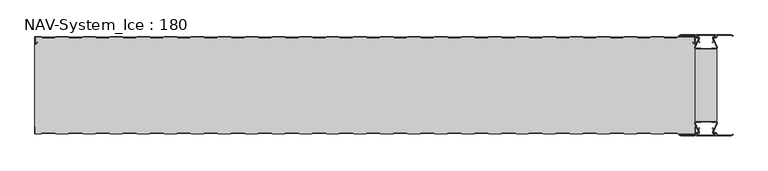
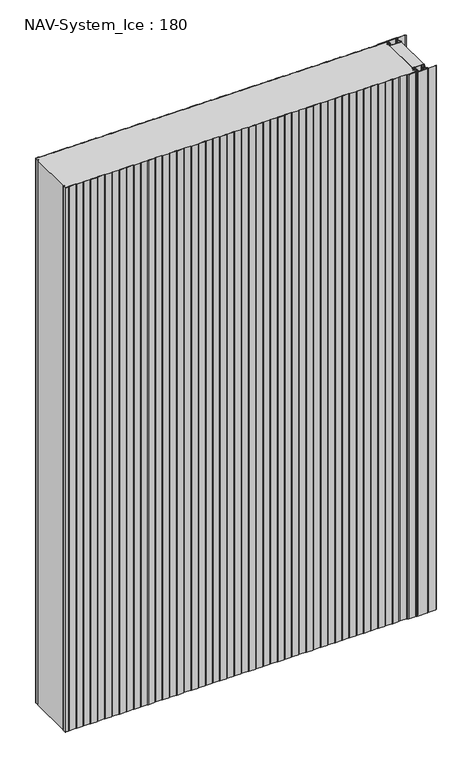
"""IFC4 building model written with IfcOpenShell, lengths in millimetres: plate geometry, NAV-System_Ice : 180."""

from ifc_helpers import new_model, si_unit, point, frame_2d, origin, origin_with_axes, place, context, project, spatial, polyline, circle_curve, trimmed, segment, composite_curve, outline, extrude, source, transform, mapped, element, save


def nav_system_ice_180_afe96e50(model_context):
    return source(origin(), model_context, "Body", "SweptSolid", [
        extrude(outline(polyline([(630.0, -156.9693935), (590.0, -156.9693935), (590.0, -23.0306065), (630.0, -23.0306065), (630.0, -156.9693935)])), origin_with_axes(), (0.0, 0.0, 1.0), 2000.0),
        extrude(outline(composite_curve([segment(trimmed(circle_curve(frame_2d((599.1138734, -171.8417863)), 3.357884), [point((596.1169606, -173.3563483))], [point((597.7243711, -168.7848813))], False, "CARTESIAN"), True, "CONTINUOUS"), segment(polyline([(597.7243711, -168.7848813), (598.0554135, -169.5131744)]), True, "CONTINUOUS"), segment(trimmed(circle_curve(frame_2d((599.1138734, -171.8417863)), 2.557884), [point((598.0554135, -169.5131744))], [point((596.8448746, -173.0226397))], True, "CARTESIAN"), True, "CONTINUOUS"), segment(polyline([(596.8448746, -173.0226397), (597.7376807, -175.2182139)]), True, "CONTINUOUS"), segment(trimmed(circle_curve(frame_2d((593.7962884, -176.3456266)), 4.0994674), [point((597.7376807, -175.2182139))], [point((593.7866434, -180.4450826))], False, "CARTESIAN"), True, "CONTINUOUS"), segment(polyline([(593.7866434, -180.4450826), (592.2194901, -180.4092333)]), True, "CONTINUOUS"), segment(trimmed(circle_curve(frame_2d((592.2592624, -181.3027113)), 0.8943628), [point((592.2194901, -180.4092333))], [point((592.2592624, -182.1970741))], True, "CARTESIAN"), True, "CONTINUOUS"), segment(polyline([(592.2592624, -182.1970741), (627.7407376, -182.1970741)]), True, "CONTINUOUS"), segment(trimmed(circle_curve(frame_2d((627.7407376, -181.3027113)), 0.8943628), [point((627.7407376, -182.1970741))], [point((627.7805099, -180.4092333))], True, "CARTESIAN"), True, "CONTINUOUS"), segment(polyline([(627.7805099, -180.4092333), (626.2133566, -180.4450826)]), True, "CONTINUOUS"), segment(trimmed(circle_curve(frame_2d((626.2037116, -176.3456266)), 4.0994674), [point((626.2133566, -180.4450826))], [point((622.2623193, -175.2182139))], False, "CARTESIAN"), True, "CONTINUOUS"), segment(polyline([(622.2623193, -175.2182139), (623.1551254, -173.0226397)]), True, "CONTINUOUS"), segment(trimmed(circle_curve(frame_2d((620.8861266, -171.8417863)), 2.557884), [point((623.1551254, -173.0226397))], [point((621.9445865, -169.5131744))], True, "CARTESIAN"), True, "CONTINUOUS"), segment(polyline([(621.9445865, -169.5131744), (622.2756289, -168.7848813)]), True, "CONTINUOUS"), segment(trimmed(circle_curve(frame_2d((620.8861266, -171.8417863)), 3.357884), [point((622.2756289, -168.7848813))], [point((623.8830394, -173.3563483))], False, "CARTESIAN"), True, "CONTINUOUS"), segment(polyline([(623.8830394, -173.3563483), (623.0205049, -175.4774793)]), True, "CONTINUOUS"), segment(trimmed(circle_curve(frame_2d((626.2037116, -176.3456266)), 3.2994674), [point((623.0205049, -175.4774793))], [point((626.2037116, -179.645094))], True, "CARTESIAN"), True, "CONTINUOUS"), segment(polyline([(626.2037116, -179.645094), (627.7848884, -179.6089239)]), True, "CONTINUOUS"), segment(trimmed(circle_curve(frame_2d((627.7407376, -181.3027113)), 1.6943628), [point((627.7848884, -179.6089239))], [point((627.7407423, -182.9970741))], False, "CARTESIAN"), True, "CONTINUOUS"), segment(polyline([(627.7407423, -182.9970741), (592.2592577, -182.9970741)]), True, "CONTINUOUS"), segment(trimmed(circle_curve(frame_2d((592.2592624, -181.3027113)), 1.6943628), [point((592.2592577, -182.9970741))], [point((592.2151116, -179.6089239))], False, "CARTESIAN"), True, "CONTINUOUS"), segment(polyline([(592.2151116, -179.6089239), (593.7962884, -179.645094)]), True, "CONTINUOUS"), segment(trimmed(circle_curve(frame_2d((593.7962884, -176.3456266)), 3.2994674), [point((593.7962884, -179.645094))], [point((596.9794951, -175.4774793))], True, "CARTESIAN"), True, "CONTINUOUS"), segment(polyline([(596.9794951, -175.4774793), (596.1169606, -173.3563483)]), True, "CONTINUOUS")], self_intersect=False)), origin_with_axes(), (0.0, 0.0, 1.0), 2000.0),
        extrude(outline(composite_curve([segment(polyline([(596.1169606, -6.6436517), (596.9794951, -4.5225207)]), True, "CONTINUOUS"), segment(trimmed(circle_curve(frame_2d((593.7962884, -3.6543734)), 3.2994674), [point((596.9794951, -4.5225207))], [point((593.7962884, -0.354906))], True, "CARTESIAN"), True, "CONTINUOUS"), segment(polyline([(593.7962884, -0.354906), (592.2151116, -0.3910761)]), True, "CONTINUOUS"), segment(trimmed(circle_curve(frame_2d((592.2592624, 1.3027113)), 1.6943628), [point((592.2151116, -0.3910761))], [point((592.2592577, 2.9970741))], False, "CARTESIAN"), True, "CONTINUOUS"), segment(polyline([(592.2592577, 2.9970741), (627.7407423, 2.9970741)]), True, "CONTINUOUS"), segment(trimmed(circle_curve(frame_2d((627.7407376, 1.3027113)), 1.6943628), [point((627.7407423, 2.9970741))], [point((627.7848884, -0.3910761))], False, "CARTESIAN"), True, "CONTINUOUS"), segment(polyline([(627.7848884, -0.3910761), (626.2037116, -0.354906)]), True, "CONTINUOUS"), segment(trimmed(circle_curve(frame_2d((626.2037116, -3.6543734)), 3.2994674), [point((626.2037116, -0.354906))], [point((623.0205049, -4.5225207))], True, "CARTESIAN"), True, "CONTINUOUS"), segment(polyline([(623.0205049, -4.5225207), (623.8830394, -6.6436517)]), True, "CONTINUOUS"), segment(trimmed(circle_curve(frame_2d((620.8861266, -8.1582137)), 3.357884), [point((623.8830394, -6.6436517))], [point((622.2756289, -11.2151187))], False, "CARTESIAN"), True, "CONTINUOUS"), segment(polyline([(622.2756289, -11.2151187), (621.9445865, -10.4868256)]), True, "CONTINUOUS"), segment(trimmed(circle_curve(frame_2d((620.8861266, -8.1582137)), 2.557884), [point((621.9445865, -10.4868256))], [point((623.1551254, -6.9773603))], True, "CARTESIAN"), True, "CONTINUOUS"), segment(polyline([(623.1551254, -6.9773603), (622.2623193, -4.7817861)]), True, "CONTINUOUS"), segment(trimmed(circle_curve(frame_2d((626.2037116, -3.6543734)), 4.0994674), [point((622.2623193, -4.7817861))], [point((626.2133566, 0.4450826))], False, "CARTESIAN"), True, "CONTINUOUS"), segment(polyline([(626.2133566, 0.4450826), (627.7805099, 0.4092333)]), True, "CONTINUOUS"), segment(trimmed(circle_curve(frame_2d((627.7407376, 1.3027113)), 0.8943628), [point((627.7805099, 0.4092333))], [point((627.7407376, 2.1970741))], True, "CARTESIAN"), True, "CONTINUOUS"), segment(polyline([(627.7407376, 2.1970741), (592.2592624, 2.1970741)]), True, "CONTINUOUS"), segment(trimmed(circle_curve(frame_2d((592.2592624, 1.3027113)), 0.8943628), [point((592.2592624, 2.1970741))], [point((592.2194901, 0.4092333))], True, "CARTESIAN"), True, "CONTINUOUS"), segment(polyline([(592.2194901, 0.4092333), (593.7866434, 0.4450826)]), True, "CONTINUOUS"), segment(trimmed(circle_curve(frame_2d((593.7962884, -3.6543734)), 4.0994674), [point((593.7866434, 0.4450826))], [point((597.7376807, -4.7817861))], False, "CARTESIAN"), True, "CONTINUOUS"), segment(polyline([(597.7376807, -4.7817861), (596.8448746, -6.9773603)]), True, "CONTINUOUS"), segment(trimmed(circle_curve(frame_2d((599.1138734, -8.1582137)), 2.557884), [point((596.8448746, -6.9773603))], [point((598.0554135, -10.4868256))], True, "CARTESIAN"), True, "CONTINUOUS"), segment(polyline([(598.0554135, -10.4868256), (597.7243711, -11.2151187)]), True, "CONTINUOUS"), segment(trimmed(circle_curve(frame_2d((599.1138734, -8.1582137)), 3.357884), [point((597.7243711, -11.2151187))], [point((596.1169606, -6.6436517))], False, "CARTESIAN"), True, "CONTINUOUS")], self_intersect=False)), origin_with_axes(), (0.0, 0.0, 1.0), 2000.0),
        extrude(outline(composite_curve([segment(trimmed(circle_curve(frame_2d((591.9446371, -159.7746821)), 1.80576), [point((591.9446371, -157.9689221))], [point((590.2170288, -160.300171))], True, "CARTESIAN"), True, "CONTINUOUS"), segment(polyline([(590.2170288, -160.300171), (596.4690067, -174.9459892)]), True, "CONTINUOUS"), segment(trimmed(circle_curve(frame_2d((593.7254406, -175.9868127)), 2.93436), [point((596.4690067, -174.9459892))], [point((593.7254406, -178.9211727))], False, "CARTESIAN"), True, "CONTINUOUS"), segment(polyline([(593.7254406, -178.9211727), (592.1347887, -178.9211727)]), True, "CONTINUOUS"), segment(trimmed(circle_curve(frame_2d((592.1347887, -180.5012127)), 1.58004), [point((592.1347887, -178.9211727))], [point((590.931072, -179.4776931))], True, "CARTESIAN"), True, "CONTINUOUS"), segment(polyline([(590.931072, -179.4776931), (589.0191946, -183.0112573), (562.9417977, -183.0112573), (560.0, -181.2043676), (560.523373, -180.3522639), (563.2243806, -182.0112573), (588.4232658, -182.0112573), (590.0952671, -178.9210361)]), True, "CONTINUOUS"), segment(trimmed(circle_curve(frame_2d((592.1347887, -180.5012127)), 2.58004), [point((590.0952671, -178.9210361))], [point((592.1347887, -177.9211727))], False, "CARTESIAN"), True, "CONTINUOUS"), segment(polyline([(592.1347887, -177.9211727), (593.7254406, -177.9211727)]), True, "CONTINUOUS"), segment(trimmed(circle_curve(frame_2d((593.7254406, -175.9868127)), 1.93436), [point((593.7254406, -177.9211727))], [point((595.5404425, -175.3178459))], True, "CARTESIAN"), True, "CONTINUOUS"), segment(polyline([(595.5404425, -175.3178459), (589.2784311, -160.6484726)]), True, "CONTINUOUS"), segment(trimmed(circle_curve(frame_2d((591.9446225, -159.7747413)), 2.8057055), [point((589.2784311, -160.6484726))], [point((591.9446225, -156.9690357))], False, "CARTESIAN"), True, "CONTINUOUS"), segment(polyline([(591.9446225, -156.9690357), (595.755568, -156.9690357)]), True, "CONTINUOUS"), segment(trimmed(circle_curve(frame_2d((595.7555679, -159.0975873)), 2.1285516), [point((595.755568, -156.9690357))], [point((597.1042828, -157.4508633))], False, "CARTESIAN"), True, "CONTINUOUS"), segment(trimmed(circle_curve(frame_2d((598.2552034, -156.0456377)), 1.8163913), [point((597.1042828, -157.4508633))], [point((599.4059468, -157.4510085))], True, "CARTESIAN"), True, "CONTINUOUS"), segment(trimmed(circle_curve(frame_2d((600.7543352, -159.0977575)), 2.128364), [point((599.4059468, -157.4510085))], [point((600.7543352, -156.9693935))], False, "CARTESIAN"), True, "CONTINUOUS"), segment(polyline([(600.7543352, -156.9693935), (619.2454674, -156.9693935)]), True, "CONTINUOUS"), segment(trimmed(circle_curve(frame_2d((619.2454674, -159.0977884)), 2.1283949), [point((619.2454674, -156.9693935))], [point((620.594293, -157.4513576))], False, "CARTESIAN"), True, "CONTINUOUS"), segment(trimmed(circle_curve(frame_2d((621.7456338, -156.0459847)), 1.8167715), [point((620.594293, -157.4513576))], [point((622.8963798, -157.4518446))], True, "CARTESIAN"), True, "CONTINUOUS"), segment(trimmed(circle_curve(frame_2d((624.244105, -159.0983528)), 2.1277576), [point((622.8963798, -157.4518446))], [point((624.244105, -156.9705952))], False, "CARTESIAN"), True, "CONTINUOUS"), segment(polyline([(624.244105, -156.9705952), (628.0535675, -156.9705952)]), True, "CONTINUOUS"), segment(trimmed(circle_curve(frame_2d((628.0535675, -159.7787791)), 2.8081839), [point((628.0535675, -156.9705952))], [point((630.7287795, -160.6326746))], False, "CARTESIAN"), True, "CONTINUOUS"), segment(polyline([(630.7287795, -160.6326746), (624.4595575, -175.3178459)]), True, "CONTINUOUS"), segment(trimmed(circle_curve(frame_2d((626.2745595, -175.9868127)), 1.93436), [point((624.4595575, -175.3178459))], [point((626.2745595, -177.9211727))], True, "CARTESIAN"), True, "CONTINUOUS"), segment(polyline([(626.2745595, -177.9211727), (627.8652113, -177.9211727)]), True, "CONTINUOUS"), segment(trimmed(circle_curve(frame_2d((627.8652113, -180.5012127)), 2.58004), [point((627.8652113, -177.9211727))], [point((629.9047329, -178.9210361))], False, "CARTESIAN"), True, "CONTINUOUS"), segment(polyline([(629.9047329, -178.9210361), (631.5767342, -182.0112573), (656.7756194, -182.0112573), (659.476627, -180.3522639), (660.0, -181.2043676), (657.0582024, -183.0112573), (630.9808054, -183.0112573), (629.068928, -179.4776931)]), True, "CONTINUOUS"), segment(trimmed(circle_curve(frame_2d((627.8652113, -180.5012127)), 1.58004), [point((629.068928, -179.4776931))], [point((627.8652113, -178.9211727))], True, "CARTESIAN"), True, "CONTINUOUS"), segment(polyline([(627.8652113, -178.9211727), (626.2745595, -178.9211727)]), True, "CONTINUOUS"), segment(trimmed(circle_curve(frame_2d((626.2745595, -175.9868127)), 2.93436), [point((626.2745595, -178.9211727))], [point((623.5309933, -174.9459892))], False, "CARTESIAN"), True, "CONTINUOUS"), segment(polyline([(623.5309933, -174.9459892), (629.7829713, -160.300171)]), True, "CONTINUOUS"), segment(trimmed(circle_curve(frame_2d((628.0553629, -159.7746822)), 1.80576), [point((629.7829713, -160.300171))], [point((628.0553629, -157.9689222))], True, "CARTESIAN"), True, "CONTINUOUS"), segment(polyline([(628.0553629, -157.9689222), (623.5184731, -157.9689222)]), True, "CONTINUOUS"), segment(trimmed(circle_curve(frame_2d((621.7449981, -156.0455076)), 2.6162449), [point((623.5184731, -157.9689222))], [point((619.7766029, -157.7689222))], False, "CARTESIAN"), True, "CONTINUOUS"), segment(polyline([(619.7766029, -157.7689222), (600.2233971, -157.7689222)]), True, "CONTINUOUS"), segment(trimmed(circle_curve(frame_2d((598.255002, -156.0455076)), 2.6162449), [point((600.2233971, -157.7689222))], [point((596.4815269, -157.9689221))], False, "CARTESIAN"), True, "CONTINUOUS"), segment(polyline([(596.4815269, -157.9689221), (591.9446371, -157.9689221)]), True, "CONTINUOUS")], self_intersect=False)), origin_with_axes(), (0.0, 0.0, 1.0), 2000.0),
        extrude(outline(composite_curve([segment(polyline([(591.9446371, -22.0310778), (596.4815269, -22.0310778)]), True, "CONTINUOUS"), segment(trimmed(circle_curve(frame_2d((598.2550019, -23.9544924)), 2.6162449), [point((596.4815269, -22.0310778))], [point((600.2233971, -22.2310778))], False, "CARTESIAN"), True, "CONTINUOUS"), segment(polyline([(600.2233971, -22.2310778), (619.7766029, -22.2310778)]), True, "CONTINUOUS"), segment(trimmed(circle_curve(frame_2d((621.7449981, -23.9544924)), 2.6162449), [point((619.7766029, -22.2310778))], [point((623.5184731, -22.0310778))], False, "CARTESIAN"), True, "CONTINUOUS"), segment(polyline([(623.5184731, -22.0310778), (628.0553629, -22.0310778)]), True, "CONTINUOUS"), segment(trimmed(circle_curve(frame_2d((628.0553629, -20.2253178)), 1.80576), [point((628.0553629, -22.0310778))], [point((629.7829712, -19.699829))], True, "CARTESIAN"), True, "CONTINUOUS"), segment(polyline([(629.7829712, -19.699829), (623.5309933, -5.0540108)]), True, "CONTINUOUS"), segment(trimmed(circle_curve(frame_2d((626.2745594, -4.0131873)), 2.93436), [point((623.5309933, -5.0540108))], [point((626.2745594, -1.0788273))], False, "CARTESIAN"), True, "CONTINUOUS"), segment(polyline([(626.2745594, -1.0788273), (627.8652113, -1.0788273)]), True, "CONTINUOUS"), segment(trimmed(circle_curve(frame_2d((627.8652113, 0.5012127)), 1.58004), [point((627.8652113, -1.0788273))], [point((629.068928, -0.5223069))], True, "CARTESIAN"), True, "CONTINUOUS"), segment(polyline([(629.068928, -0.5223069), (630.9808054, 3.0112573), (657.0582023, 3.0112573), (660.0, 1.2043676), (659.476627, 0.3522639), (656.7756194, 2.0112573), (631.5767342, 2.0112573), (629.9047329, -1.0789639)]), True, "CONTINUOUS"), segment(trimmed(circle_curve(frame_2d((627.8652113, 0.5012127)), 2.58004), [point((629.9047329, -1.0789639))], [point((627.8652113, -2.0788273))], False, "CARTESIAN"), True, "CONTINUOUS"), segment(polyline([(627.8652113, -2.0788273), (626.2745594, -2.0788273)]), True, "CONTINUOUS"), segment(trimmed(circle_curve(frame_2d((626.2745594, -4.0131873)), 1.93436), [point((626.2745594, -2.0788273))], [point((624.4595575, -4.6821541))], True, "CARTESIAN"), True, "CONTINUOUS"), segment(polyline([(624.4595575, -4.6821541), (630.7287795, -19.3673254)]), True, "CONTINUOUS"), segment(trimmed(circle_curve(frame_2d((628.0535675, -20.2212209)), 2.8081839), [point((630.7287795, -19.3673254))], [point((628.0535675, -23.0294048))], False, "CARTESIAN"), True, "CONTINUOUS"), segment(polyline([(628.0535675, -23.0294048), (624.244105, -23.0294048)]), True, "CONTINUOUS"), segment(trimmed(circle_curve(frame_2d((624.244105, -20.9016472)), 2.1277576), [point((624.244105, -23.0294048))], [point((622.8963798, -22.5481554))], False, "CARTESIAN"), True, "CONTINUOUS"), segment(trimmed(circle_curve(frame_2d((621.7456337, -23.9540153)), 1.8167716), [point((622.8963798, -22.5481554))], [point((620.5942929, -22.5486423))], True, "CARTESIAN"), True, "CONTINUOUS"), segment(trimmed(circle_curve(frame_2d((619.2454674, -20.9022116)), 2.1283949), [point((620.5942929, -22.5486423))], [point((619.2454674, -23.0306065))], False, "CARTESIAN"), True, "CONTINUOUS"), segment(polyline([(619.2454674, -23.0306065), (600.7543352, -23.0306065)]), True, "CONTINUOUS"), segment(trimmed(circle_curve(frame_2d((600.7543352, -20.9022425)), 2.128364), [point((600.7543352, -23.0306065))], [point((599.4059468, -22.5489915))], False, "CARTESIAN"), True, "CONTINUOUS"), segment(trimmed(circle_curve(frame_2d((598.2552034, -23.9543623)), 1.8163912), [point((599.4059468, -22.5489915))], [point((597.1042828, -22.5491367))], True, "CARTESIAN"), True, "CONTINUOUS"), segment(trimmed(circle_curve(frame_2d((595.7555679, -20.9024127)), 2.1285516), [point((597.1042828, -22.5491367))], [point((595.7555679, -23.0309643))], False, "CARTESIAN"), True, "CONTINUOUS"), segment(polyline([(595.7555679, -23.0309643), (591.9446225, -23.0309643)]), True, "CONTINUOUS"), segment(trimmed(circle_curve(frame_2d((591.9446225, -20.2252587)), 2.8057055), [point((591.9446225, -23.0309643))], [point((589.2784311, -19.3515274))], False, "CARTESIAN"), True, "CONTINUOUS"), segment(polyline([(589.2784311, -19.3515274), (595.5404425, -4.6821541)]), True, "CONTINUOUS"), segment(trimmed(circle_curve(frame_2d((593.7254406, -4.0131873)), 1.93436), [point((595.5404425, -4.6821541))], [point((593.7254406, -2.0788273))], True, "CARTESIAN"), True, "CONTINUOUS"), segment(polyline([(593.7254406, -2.0788273), (592.1347887, -2.0788273)]), True, "CONTINUOUS"), segment(trimmed(circle_curve(frame_2d((592.1347887, 0.5012127)), 2.58004), [point((592.1347887, -2.0788273))], [point((590.0952671, -1.0789639))], False, "CARTESIAN"), True, "CONTINUOUS"), segment(polyline([(590.0952671, -1.0789639), (588.4232658, 2.0112573), (563.2243806, 2.0112573), (560.523373, 0.3522639), (560.0, 1.2043676), (562.9417977, 3.0112573), (589.0191946, 3.0112573), (590.931072, -0.5223069)]), True, "CONTINUOUS"), segment(trimmed(circle_curve(frame_2d((592.1347887, 0.5012127)), 1.58004), [point((590.931072, -0.5223069))], [point((592.1347887, -1.0788273))], True, "CARTESIAN"), True, "CONTINUOUS"), segment(polyline([(592.1347887, -1.0788273), (593.7254406, -1.0788273)]), True, "CONTINUOUS"), segment(trimmed(circle_curve(frame_2d((593.7254406, -4.0131873)), 2.93436), [point((593.7254406, -1.0788273))], [point((596.4690067, -5.0540108))], False, "CARTESIAN"), True, "CONTINUOUS"), segment(polyline([(596.4690067, -5.0540108), (590.2170288, -19.699829)]), True, "CONTINUOUS"), segment(trimmed(circle_curve(frame_2d((591.9446371, -20.2253178)), 1.80576), [point((590.2170288, -19.699829))], [point((591.9446371, -22.0310778))], True, "CARTESIAN"), True, "CONTINUOUS")], self_intersect=False)), origin_with_axes(), (0.0, 0.0, 1.0), 2000.0),
        extrude(outline(composite_curve([segment(polyline([(559.1298221, -0.8), (556.1298221, -1.8), (533.8701779, -1.8), (530.8701779, -0.8), (509.1298221, -0.8), (506.1298221, -1.8), (483.8701779, -1.8), (480.8701779, -0.8), (459.1298221, -0.8), (456.1298221, -1.8), (433.8701779, -1.8), (430.8701779, -0.8), (409.1298221, -0.8), (406.1298221, -1.8), (383.8701779, -1.8), (380.8701779, -0.8), (359.1298221, -0.8), (356.1298221, -1.8), (333.8701779, -1.8), (330.8701779, -0.8), (309.1298221, -0.8), (306.1298221, -1.8), (283.8701779, -1.8), (280.8701779, -0.8), (259.1298221, -0.8), (256.1298221, -1.8), (233.8701779, -1.8), (230.8701779, -0.8), (209.1298221, -0.8), (206.1298221, -1.8), (183.8701779, -1.8), (180.8701779, -0.8), (159.1298221, -0.8), (156.1298221, -1.8), (133.8701779, -1.8), (130.8701779, -0.8), (109.1298221, -0.8), (106.1298221, -1.8), (83.8701779, -1.8), (80.8701779, -0.8), (59.1298221, -0.8), (56.1298221, -1.8), (33.8701779, -1.8), (30.8701779, -0.8), (9.1298221, -0.8), (6.1298221, -1.8), (-16.1298221, -1.8), (-19.1298221, -0.8), (-40.8701779, -0.8), (-43.8701779, -1.8), (-66.1298221, -1.8), (-69.1298221, -0.8), (-90.8701779, -0.8), (-93.8701779, -1.8), (-116.1298221, -1.8), (-119.1298221, -0.8), (-140.8701779, -0.8), (-143.8701779, -1.8), (-166.1298221, -1.8), (-169.1298221, -0.8), (-190.8701779, -0.8), (-193.8701779, -1.8), (-216.1298221, -1.8), (-219.1298221, -0.8), (-240.8701779, -0.8), (-243.8701779, -1.8), (-266.1298221, -1.8), (-269.1298221, -0.8), (-290.8701779, -0.8), (-293.8701779, -1.8), (-316.1298221, -1.8), (-319.1298221, -0.8), (-340.8701779, -0.8), (-343.8701779, -1.8), (-366.1298221, -1.8), (-369.1298221, -0.8), (-390.8701779, -0.8), (-393.8701779, -1.8), (-416.1298221, -1.8), (-419.1298221, -0.8), (-440.8701779, -0.8), (-443.8701779, -1.8), (-466.1298221, -1.8), (-469.1298221, -0.8), (-490.8701779, -0.8), (-493.8701779, -1.8), (-516.1298221, -1.8), (-519.1298221, -0.8), (-540.8701779, -0.8), (-543.8701779, -1.8), (-566.1298221, -1.8), (-569.1298221, -0.8), (-590.8701779, -0.8), (-593.8701779, -1.8), (-616.1298221, -1.8), (-619.1298221, -0.8), (-628.7, -0.8)]), True, "CONTINUOUS"), segment(trimmed(circle_curve(frame_2d((-628.7, -1.3)), 0.5), [point((-628.7, -0.8))], [point((-629.2, -1.3))], True, "CARTESIAN"), True, "CONTINUOUS"), segment(polyline([(-629.2, -1.3), (-629.2, -12.5857864)]), True, "CONTINUOUS"), segment(trimmed(circle_curve(frame_2d((-628.7, -12.5857864)), 0.5), [point((-629.2, -12.5857864))], [point((-628.3464466, -12.9393398))], True, "CARTESIAN"), True, "CONTINUOUS"), segment(polyline([(-628.3464466, -12.9393398), (-625.9205321, -10.5134253), (-625.3548467, -11.0791108), (-627.7807612, -13.5050253)]), True, "CONTINUOUS"), segment(trimmed(circle_curve(frame_2d((-628.7, -12.5857864)), 1.3), [point((-627.7807612, -13.5050253))], [point((-630.0, -12.5857864))], False, "CARTESIAN"), True, "CONTINUOUS"), segment(polyline([(-630.0, -12.5857864), (-630.0, -1.3)]), True, "CONTINUOUS"), segment(trimmed(circle_curve(frame_2d((-628.7, -1.3)), 1.3), [point((-630.0, -1.3))], [point((-628.7, 0.0))], False, "CARTESIAN"), True, "CONTINUOUS"), segment(polyline([(-628.7, 0.0), (-619.0, 0.0), (-616.0, -1.0), (-594.0, -1.0), (-591.0, 0.0), (-569.0, 0.0), (-566.0, -1.0), (-544.0, -1.0), (-541.0, 0.0), (-519.0, 0.0), (-516.0, -1.0), (-494.0, -1.0), (-491.0, 0.0), (-469.0, 0.0), (-466.0, -1.0), (-444.0, -1.0), (-441.0, 0.0), (-419.0, 0.0), (-416.0, -1.0), (-394.0, -1.0), (-391.0, 0.0), (-369.0, 0.0), (-366.0, -1.0), (-344.0, -1.0), (-341.0, 0.0), (-319.0, 0.0), (-316.0, -1.0), (-294.0, -1.0), (-291.0, 0.0), (-269.0, 0.0), (-266.0, -1.0), (-244.0, -1.0), (-241.0, 0.0), (-219.0, 0.0), (-216.0, -1.0), (-194.0, -1.0), (-191.0, 0.0), (-169.0, 0.0), (-166.0, -1.0), (-144.0, -1.0), (-141.0, 0.0), (-119.0, 0.0), (-116.0, -1.0), (-94.0, -1.0), (-91.0, 0.0), (-69.0, 0.0), (-66.0, -1.0), (-44.0, -1.0), (-41.0, 0.0), (-19.0, 0.0), (-16.0, -1.0), (6.0, -1.0), (9.0, 0.0), (31.0, 0.0), (34.0, -1.0), (56.0, -1.0), (59.0, 0.0), (81.0, 0.0), (84.0, -1.0), (106.0, -1.0), (109.0, 0.0), (131.0, 0.0), (134.0, -1.0), (156.0, -1.0), (159.0, 0.0), (181.0, 0.0), (184.0, -1.0), (206.0, -1.0), (209.0, 0.0), (231.0, 0.0), (234.0, -1.0), (256.0, -1.0), (259.0, 0.0), (281.0, 0.0), (284.0, -1.0), (306.0, -1.0), (309.0, 0.0), (331.0, 0.0), (334.0, -1.0), (356.0, -1.0), (359.0, 0.0), (381.0, 0.0), (384.0, -1.0), (406.0, -1.0), (409.0, 0.0), (431.0, 0.0), (434.0, -1.0), (456.0, -1.0), (459.0, 0.0), (481.0, 0.0), (484.0, -1.0), (506.0, -1.0), (509.0, 0.0), (531.0, 0.0), (534.0, -1.0), (556.0, -1.0), (559.0, 0.0), (588.7, 0.0)]), True, "CONTINUOUS"), segment(trimmed(circle_curve(frame_2d((588.7, -1.3)), 1.3), [point((588.7, 0.0))], [point((590.0, -1.3))], False, "CARTESIAN"), True, "CONTINUOUS"), segment(polyline([(590.0, -1.3), (590.0, -12.5857864)]), True, "CONTINUOUS"), segment(trimmed(circle_curve(frame_2d((588.7, -12.5857864)), 1.3), [point((590.0, -12.5857864))], [point((587.7807612, -13.5050253))], False, "CARTESIAN"), True, "CONTINUOUS"), segment(polyline([(587.7807612, -13.5050253), (585.3548467, -11.0791108), (585.9205321, -10.5134253), (588.3464466, -12.9393398)]), True, "CONTINUOUS"), segment(trimmed(circle_curve(frame_2d((588.7, -12.5857864)), 0.5), [point((588.3464466, -12.9393398))], [point((589.2, -12.5857864))], True, "CARTESIAN"), True, "CONTINUOUS"), segment(polyline([(589.2, -12.5857864), (589.2, -1.3)]), True, "CONTINUOUS"), segment(trimmed(circle_curve(frame_2d((588.7, -1.3)), 0.5), [point((589.2, -1.3))], [point((588.7, -0.8))], True, "CARTESIAN"), True, "CONTINUOUS"), segment(polyline([(588.7, -0.8), (559.1298221, -0.8)]), True, "CONTINUOUS")], self_intersect=False)), origin_with_axes(), (0.0, 0.0, 1.0), 2000.0),
        extrude(outline(composite_curve([segment(polyline([(559.1298221, -0.8), (588.7, -0.8)]), True, "CONTINUOUS"), segment(trimmed(circle_curve(frame_2d((588.7, -1.3)), 0.5), [point((588.7, -0.8))], [point((589.2, -1.3))], False, "CARTESIAN"), True, "CONTINUOUS"), segment(polyline([(589.2, -1.3), (589.2, -12.5857864)]), True, "CONTINUOUS"), segment(trimmed(circle_curve(frame_2d((588.7, -12.5857864)), 0.5), [point((589.2, -12.5857864))], [point((588.3464466, -12.9393398))], False, "CARTESIAN"), True, "CONTINUOUS"), segment(polyline([(588.3464466, -12.9393398), (585.9205321, -10.5134253), (585.3548467, -11.0791108), (587.7807612, -13.5050253)]), True, "CONTINUOUS"), segment(trimmed(circle_curve(frame_2d((588.7, -12.5857864)), 1.3), [point((587.7807612, -13.5050253))], [point((588.7, -13.8857864))], True, "CARTESIAN"), True, "CONTINUOUS"), segment(polyline([(588.7, -13.8857864), (590.0, -13.8857864), (590.0, -166.1142136), (588.7, -166.1142136)]), True, "CONTINUOUS"), segment(trimmed(circle_curve(frame_2d((588.7, -167.4142136)), 1.3), [point((588.7, -166.1142136))], [point((587.7807612, -166.4949747))], True, "CARTESIAN"), True, "CONTINUOUS"), segment(polyline([(587.7807612, -166.4949747), (585.3548467, -168.9208892), (585.9205321, -169.4865747), (588.3464466, -167.0606602)]), True, "CONTINUOUS"), segment(trimmed(circle_curve(frame_2d((588.7, -167.4142136)), 0.5), [point((588.3464466, -167.0606602))], [point((589.2, -167.4142136))], False, "CARTESIAN"), True, "CONTINUOUS"), segment(polyline([(589.2, -167.4142136), (589.2, -178.7)]), True, "CONTINUOUS"), segment(trimmed(circle_curve(frame_2d((588.7, -178.7)), 0.5), [point((589.2, -178.7))], [point((588.7, -179.2))], False, "CARTESIAN"), True, "CONTINUOUS"), segment(polyline([(588.7, -179.2), (559.1298221, -179.2), (556.1298221, -178.2), (533.8701779, -178.2), (530.8701779, -179.2), (509.1298221, -179.2), (506.1298221, -178.2), (483.8701779, -178.2), (480.8701779, -179.2), (459.1298221, -179.2), (456.1298221, -178.2), (433.8701779, -178.2), (430.8701779, -179.2), (409.1298221, -179.2), (406.1298221, -178.2), (383.8701779, -178.2), (380.8701779, -179.2), (359.1298221, -179.2), (356.1298221, -178.2), (333.8701779, -178.2), (330.8701779, -179.2), (309.1298221, -179.2), (306.1298221, -178.2), (283.8701779, -178.2), (280.8701779, -179.2), (259.1298221, -179.2), (256.1298221, -178.2), (233.8701779, -178.2), (230.8701779, -179.2), (209.1298221, -179.2), (206.1298221, -178.2), (183.8701779, -178.2), (180.8701779, -179.2), (159.1298221, -179.2), (156.1298221, -178.2), (133.8701779, -178.2), (130.8701779, -179.2), (109.1298221, -179.2), (106.1298221, -178.2), (83.8701779, -178.2), (80.8701779, -179.2), (59.1298221, -179.2), (56.1298221, -178.2), (33.8701779, -178.2), (30.8701779, -179.2), (9.1298221, -179.2), (6.1298221, -178.2), (-16.1298221, -178.2), (-19.1298221, -179.2), (-40.8701779, -179.2), (-43.8701779, -178.2), (-66.1298221, -178.2), (-69.1298221, -179.2), (-90.8701779, -179.2), (-93.8701779, -178.2), (-116.1298221, -178.2), (-119.1298221, -179.2), (-140.8701779, -179.2), (-143.8701779, -178.2), (-166.1298221, -178.2), (-169.1298221, -179.2), (-190.8701779, -179.2), (-193.8701779, -178.2), (-216.1298221, -178.2), (-219.1298221, -179.2), (-240.8701779, -179.2), (-243.8701779, -178.2), (-266.1298221, -178.2), (-269.1298221, -179.2), (-290.8701779, -179.2), (-293.8701779, -178.2), (-316.1298221, -178.2), (-319.1298221, -179.2), (-340.8701779, -179.2), (-343.8701779, -178.2), (-366.1298221, -178.2), (-369.1298221, -179.2), (-390.8701779, -179.2), (-393.8701779, -178.2), (-416.1298221, -178.2), (-419.1298221, -179.2), (-440.8701779, -179.2), (-443.8701779, -178.2), (-466.1298221, -178.2), (-469.1298221, -179.2), (-490.8701779, -179.2), (-493.8701779, -178.2), (-516.1298221, -178.2), (-519.1298221, -179.2), (-540.8701779, -179.2), (-543.8701779, -178.2), (-566.1298221, -178.2), (-569.1298221, -179.2), (-590.8701779, -179.2), (-593.8701779, -178.2), (-616.1298221, -178.2), (-619.1298221, -179.2), (-628.7, -179.2)]), True, "CONTINUOUS"), segment(trimmed(circle_curve(frame_2d((-628.7, -178.7)), 0.5), [point((-628.7, -179.2))], [point((-629.2, -178.7))], False, "CARTESIAN"), True, "CONTINUOUS"), segment(polyline([(-629.2, -178.7), (-629.2, -167.4142136)]), True, "CONTINUOUS"), segment(trimmed(circle_curve(frame_2d((-628.7, -167.4142136)), 0.5), [point((-629.2, -167.4142136))], [point((-628.3464466, -167.0606602))], False, "CARTESIAN"), True, "CONTINUOUS"), segment(polyline([(-628.3464466, -167.0606602), (-625.9205321, -169.4865747), (-625.3548467, -168.9208892), (-627.7807612, -166.4949747)]), True, "CONTINUOUS"), segment(trimmed(circle_curve(frame_2d((-628.7, -167.4142136)), 1.3), [point((-627.7807612, -166.4949747))], [point((-628.7, -166.1142136))], True, "CARTESIAN"), True, "CONTINUOUS"), segment(polyline([(-628.7, -166.1142136), (-630.0, -166.1142136), (-630.0, -13.8857864), (-628.7, -13.8857864)]), True, "CONTINUOUS"), segment(trimmed(circle_curve(frame_2d((-628.7, -12.5857864)), 1.3), [point((-628.7, -13.8857864))], [point((-627.7807612, -13.5050253))], True, "CARTESIAN"), True, "CONTINUOUS"), segment(polyline([(-627.7807612, -13.5050253), (-625.3548467, -11.0791108), (-625.9205321, -10.5134253), (-628.3464466, -12.9393398)]), True, "CONTINUOUS"), segment(trimmed(circle_curve(frame_2d((-628.7, -12.5857864)), 0.5), [point((-628.3464466, -12.9393398))], [point((-629.2, -12.5857864))], False, "CARTESIAN"), True, "CONTINUOUS"), segment(polyline([(-629.2, -12.5857864), (-629.2, -1.3)]), True, "CONTINUOUS"), segment(trimmed(circle_curve(frame_2d((-628.7, -1.3)), 0.5), [point((-629.2, -1.3))], [point((-628.7, -0.8))], False, "CARTESIAN"), True, "CONTINUOUS"), segment(polyline([(-628.7, -0.8), (-619.1298221, -0.8), (-616.1298221, -1.8), (-593.8701779, -1.8), (-590.8701779, -0.8), (-569.1298221, -0.8), (-566.1298221, -1.8), (-543.8701779, -1.8), (-540.8701779, -0.8), (-519.1298221, -0.8), (-516.1298221, -1.8), (-493.8701779, -1.8), (-490.8701779, -0.8), (-469.1298221, -0.8), (-466.1298221, -1.8), (-443.8701779, -1.8), (-440.8701779, -0.8), (-419.1298221, -0.8), (-416.1298221, -1.8), (-393.8701779, -1.8), (-390.8701779, -0.8), (-369.1298221, -0.8), (-366.1298221, -1.8), (-343.8701779, -1.8), (-340.8701779, -0.8), (-319.1298221, -0.8), (-316.1298221, -1.8), (-293.8701779, -1.8), (-290.8701779, -0.8), (-269.1298221, -0.8), (-266.1298221, -1.8), (-243.8701779, -1.8), (-240.8701779, -0.8), (-219.1298221, -0.8), (-216.1298221, -1.8), (-193.8701779, -1.8), (-190.8701779, -0.8), (-169.1298221, -0.8), (-166.1298221, -1.8), (-143.8701779, -1.8), (-140.8701779, -0.8), (-119.1298221, -0.8), (-116.1298221, -1.8), (-93.8701779, -1.8), (-90.8701779, -0.8), (-69.1298221, -0.8), (-66.1298221, -1.8), (-43.8701779, -1.8), (-40.8701779, -0.8), (-19.1298221, -0.8), (-16.1298221, -1.8), (6.1298221, -1.8), (9.1298221, -0.8), (30.8701779, -0.8), (33.8701779, -1.8), (56.1298221, -1.8), (59.1298221, -0.8), (80.8701779, -0.8), (83.8701779, -1.8), (106.1298221, -1.8), (109.1298221, -0.8), (130.8701779, -0.8), (133.8701779, -1.8), (156.1298221, -1.8), (159.1298221, -0.8), (180.8701779, -0.8), (183.8701779, -1.8), (206.1298221, -1.8), (209.1298221, -0.8), (230.8701779, -0.8), (233.8701779, -1.8), (256.1298221, -1.8), (259.1298221, -0.8), (280.8701779, -0.8), (283.8701779, -1.8), (306.1298221, -1.8), (309.1298221, -0.8), (330.8701779, -0.8), (333.8701779, -1.8), (356.1298221, -1.8), (359.1298221, -0.8), (380.8701779, -0.8), (383.8701779, -1.8), (406.1298221, -1.8), (409.1298221, -0.8), (430.8701779, -0.8), (433.8701779, -1.8), (456.1298221, -1.8), (459.1298221, -0.8), (480.8701779, -0.8), (483.8701779, -1.8), (506.1298221, -1.8), (509.1298221, -0.8), (530.8701779, -0.8), (533.8701779, -1.8), (556.1298221, -1.8), (559.1298221, -0.8)]), True, "CONTINUOUS")], self_intersect=False)), origin_with_axes(), (0.0, 0.0, 1.0), 2000.0),
        extrude(outline(composite_curve([segment(polyline([(559.1298221, -179.2), (588.7, -179.2)]), True, "CONTINUOUS"), segment(trimmed(circle_curve(frame_2d((588.7, -178.7)), 0.5), [point((588.7, -179.2))], [point((589.2, -178.7))], True, "CARTESIAN"), True, "CONTINUOUS"), segment(polyline([(589.2, -178.7), (589.2, -167.4142136)]), True, "CONTINUOUS"), segment(trimmed(circle_curve(frame_2d((588.7, -167.4142136)), 0.5), [point((589.2, -167.4142136))], [point((588.3464466, -167.0606602))], True, "CARTESIAN"), True, "CONTINUOUS"), segment(polyline([(588.3464466, -167.0606602), (585.9205321, -169.4865747), (585.3548467, -168.9208892), (587.7807612, -166.4949747)]), True, "CONTINUOUS"), segment(trimmed(circle_curve(frame_2d((588.7, -167.4142136)), 1.3), [point((587.7807612, -166.4949747))], [point((590.0, -167.4142136))], False, "CARTESIAN"), True, "CONTINUOUS"), segment(polyline([(590.0, -167.4142136), (590.0, -178.7)]), True, "CONTINUOUS"), segment(trimmed(circle_curve(frame_2d((588.7, -178.7)), 1.3), [point((590.0, -178.7))], [point((588.7, -180.0))], False, "CARTESIAN"), True, "CONTINUOUS"), segment(polyline([(588.7, -180.0), (559.0, -180.0), (556.0, -179.0), (534.0, -179.0), (531.0, -180.0), (509.0, -180.0), (506.0, -179.0), (484.0, -179.0), (481.0, -180.0), (459.0, -180.0), (456.0, -179.0), (434.0, -179.0), (431.0, -180.0), (409.0, -180.0), (406.0, -179.0), (384.0, -179.0), (381.0, -180.0), (359.0, -180.0), (356.0, -179.0), (334.0, -179.0), (331.0, -180.0), (309.0, -180.0), (306.0, -179.0), (284.0, -179.0), (281.0, -180.0), (259.0, -180.0), (256.0, -179.0), (234.0, -179.0), (231.0, -180.0), (209.0, -180.0), (206.0, -179.0), (184.0, -179.0), (181.0, -180.0), (159.0, -180.0), (156.0, -179.0), (134.0, -179.0), (131.0, -180.0), (109.0, -180.0), (106.0, -179.0), (84.0, -179.0), (81.0, -180.0), (59.0, -180.0), (56.0, -179.0), (34.0, -179.0), (31.0, -180.0), (9.0, -180.0), (6.0, -179.0), (-16.0, -179.0), (-19.0, -180.0), (-41.0, -180.0), (-44.0, -179.0), (-66.0, -179.0), (-69.0, -180.0), (-91.0, -180.0), (-94.0, -179.0), (-116.0, -179.0), (-119.0, -180.0), (-141.0, -180.0), (-144.0, -179.0), (-166.0, -179.0), (-169.0, -180.0), (-191.0, -180.0), (-194.0, -179.0), (-216.0, -179.0), (-219.0, -180.0), (-241.0, -180.0), (-244.0, -179.0), (-266.0, -179.0), (-269.0, -180.0), (-291.0, -180.0), (-294.0, -179.0), (-316.0, -179.0), (-319.0, -180.0), (-341.0, -180.0), (-344.0, -179.0), (-366.0, -179.0), (-369.0, -180.0), (-391.0, -180.0), (-394.0, -179.0), (-416.0, -179.0), (-419.0, -180.0), (-441.0, -180.0), (-444.0, -179.0), (-466.0, -179.0), (-469.0, -180.0), (-491.0, -180.0), (-494.0, -179.0), (-516.0, -179.0), (-519.0, -180.0), (-541.0, -180.0), (-544.0, -179.0), (-566.0, -179.0), (-569.0, -180.0), (-591.0, -180.0), (-594.0, -179.0), (-616.0, -179.0), (-619.0, -180.0), (-628.7, -180.0)]), True, "CONTINUOUS"), segment(trimmed(circle_curve(frame_2d((-628.7, -178.7)), 1.3), [point((-628.7, -180.0))], [point((-630.0, -178.7))], False, "CARTESIAN"), True, "CONTINUOUS"), segment(polyline([(-630.0, -178.7), (-630.0, -167.4142136)]), True, "CONTINUOUS"), segment(trimmed(circle_curve(frame_2d((-628.7, -167.4142136)), 1.3), [point((-630.0, -167.4142136))], [point((-627.7807612, -166.4949747))], False, "CARTESIAN"), True, "CONTINUOUS"), segment(polyline([(-627.7807612, -166.4949747), (-625.3548467, -168.9208892), (-625.9205321, -169.4865747), (-628.3464466, -167.0606602)]), True, "CONTINUOUS"), segment(trimmed(circle_curve(frame_2d((-628.7, -167.4142136)), 0.5), [point((-628.3464466, -167.0606602))], [point((-629.2, -167.4142136))], True, "CARTESIAN"), True, "CONTINUOUS"), segment(polyline([(-629.2, -167.4142136), (-629.2, -178.7)]), True, "CONTINUOUS"), segment(trimmed(circle_curve(frame_2d((-628.7, -178.7)), 0.5), [point((-629.2, -178.7))], [point((-628.7, -179.2))], True, "CARTESIAN"), True, "CONTINUOUS"), segment(polyline([(-628.7, -179.2), (-619.1298221, -179.2), (-616.1298221, -178.2), (-593.8701779, -178.2), (-590.8701779, -179.2), (-569.1298221, -179.2), (-566.1298221, -178.2), (-543.8701779, -178.2), (-540.8701779, -179.2), (-519.1298221, -179.2), (-516.1298221, -178.2), (-493.8701779, -178.2), (-490.8701779, -179.2), (-469.1298221, -179.2), (-466.1298221, -178.2), (-443.8701779, -178.2), (-440.8701779, -179.2), (-419.1298221, -179.2), (-416.1298221, -178.2), (-393.8701779, -178.2), (-390.8701779, -179.2), (-369.1298221, -179.2), (-366.1298221, -178.2), (-343.8701779, -178.2), (-340.8701779, -179.2), (-319.1298221, -179.2), (-316.1298221, -178.2), (-293.8701779, -178.2), (-290.8701779, -179.2), (-269.1298221, -179.2), (-266.1298221, -178.2), (-243.8701779, -178.2), (-240.8701779, -179.2), (-219.1298221, -179.2), (-216.1298221, -178.2), (-193.8701779, -178.2), (-190.8701779, -179.2), (-169.1298221, -179.2), (-166.1298221, -178.2), (-143.8701779, -178.2), (-140.8701779, -179.2), (-119.1298221, -179.2), (-116.1298221, -178.2), (-93.8701779, -178.2), (-90.8701779, -179.2), (-69.1298221, -179.2), (-66.1298221, -178.2), (-43.8701779, -178.2), (-40.8701779, -179.2), (-19.1298221, -179.2), (-16.1298221, -178.2), (6.1298221, -178.2), (9.1298221, -179.2), (30.8701779, -179.2), (33.8701779, -178.2), (56.1298221, -178.2), (59.1298221, -179.2), (80.8701779, -179.2), (83.8701779, -178.2), (106.1298221, -178.2), (109.1298221, -179.2), (130.8701779, -179.2), (133.8701779, -178.2), (156.1298221, -178.2), (159.1298221, -179.2), (180.8701779, -179.2), (183.8701779, -178.2), (206.1298221, -178.2), (209.1298221, -179.2), (230.8701779, -179.2), (233.8701779, -178.2), (256.1298221, -178.2), (259.1298221, -179.2), (280.8701779, -179.2), (283.8701779, -178.2), (306.1298221, -178.2), (309.1298221, -179.2), (330.8701779, -179.2), (333.8701779, -178.2), (356.1298221, -178.2), (359.1298221, -179.2), (380.8701779, -179.2), (383.8701779, -178.2), (406.1298221, -178.2), (409.1298221, -179.2), (430.8701779, -179.2), (433.8701779, -178.2), (456.1298221, -178.2), (459.1298221, -179.2), (480.8701779, -179.2), (483.8701779, -178.2), (506.1298221, -178.2), (509.1298221, -179.2), (530.8701779, -179.2), (533.8701779, -178.2), (556.1298221, -178.2), (559.1298221, -179.2)]), True, "CONTINUOUS")], self_intersect=False)), origin_with_axes(), (0.0, 0.0, 1.0), 2000.0),
    ])


if __name__ == "__main__":
    model = new_model("IFC4")
    model_context = context("Model", 3, world=origin())
    ifc_project = project(units=[si_unit("LENGTHUNIT", "METRE", prefix="MILLI")], contexts=[model_context])
    site = spatial("IfcSite", under=ifc_project)
    building = spatial("IfcBuilding", under=site)
    placement = place(None, origin())
    nav_system_ice_180_shape = nav_system_ice_180_afe96e50(model_context)
    element("IfcPlate", 1, ObjectType="NAV-System_Ice : 180", at=placement, inside=building, context=model_context, shape_type="MappedRepresentation", body=[
        mapped(nav_system_ice_180_shape, transform((0.0, 0.0, 0.0), x_axis=(1.0, 0.0, 0.0), y_axis=(0.0, 1.0, 0.0), z_axis=(0.0, 0.0, 1.0))),
    ])
    save(model, "model.ifc")
